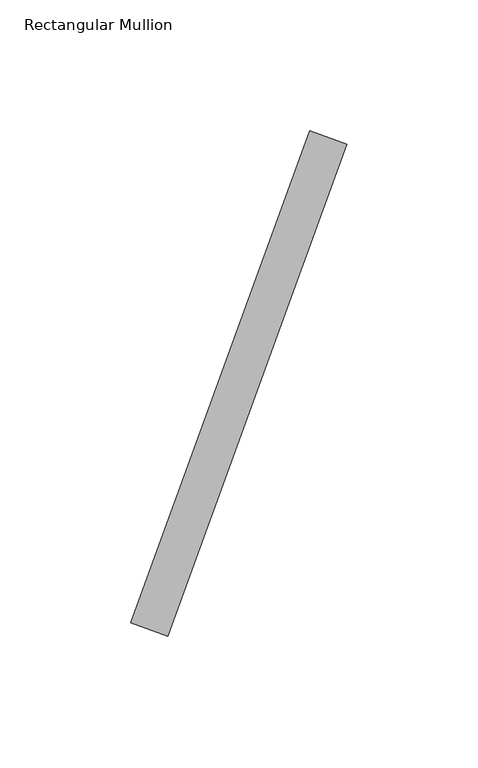
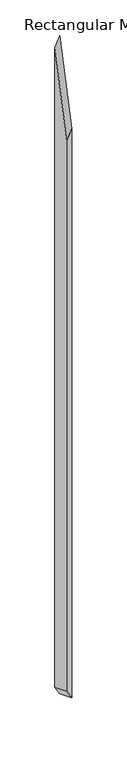
"""IFC4 building model written with IfcOpenShell, lengths in millimetres: member geometry, Rectangular Mullion."""

from ifc_helpers import new_model, si_unit, origin, place, context, project, spatial, faceted_brep, source, transform, mapped, element, save


def rectangular_mullion_6c8066e7(model_context):
    return source(origin(), model_context, "Body", "Brep", [
        faceted_brep([(-19.0607062, -52.36886, -55.3282092), (-87.4647349, -240.3073841, -253.8870855), (-87.4647349, -240.3073841, -2309.8853291), (-19.0607062, -52.36886, -2433.4188799), (-101.5601242, -235.177082, -294.8022876), (-33.1560955, -47.2385578, -96.2434114), (-33.1560955, -47.2385578, -2407.9634568), (-101.5601242, -235.177082, -2284.4299059)], [[[0, 1, 2, 3]], [[4, 5, 6, 7]], [[1, 4, 7, 2]], [[5, 0, 3, 6]], [[5, 4, 1, 0]], [[6, 3, 2, 7]]]),
    ])


if __name__ == "__main__":
    model = new_model("IFC4")
    model_context = context("Model", 3, world=origin())
    ifc_project = project(units=[si_unit("LENGTHUNIT", "METRE", prefix="MILLI")], contexts=[model_context])
    site = spatial("IfcSite", under=ifc_project)
    building = spatial("IfcBuilding", under=site)
    placement = place(None, origin())
    rectangular_mullion_shape = rectangular_mullion_6c8066e7(model_context)
    element("IfcMember", 1, ObjectType="Rectangular Mullion", at=placement, inside=building, context=model_context, shape_type="MappedRepresentation", body=[
        mapped(rectangular_mullion_shape, transform((0.0, 0.0, 0.0), x_axis=(1.0, 0.0, 0.0), y_axis=(0.0, 1.0, 0.0), z_axis=(0.0, 0.0, 1.0))),
    ])
    save(model, "model.ifc")
